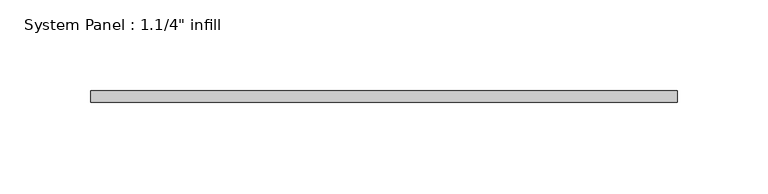
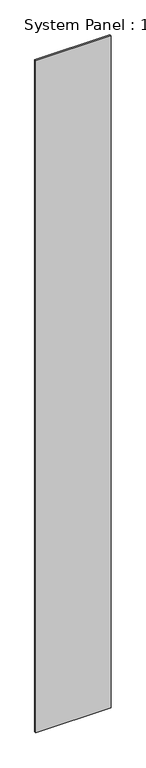
"""IFC4 building model written with IfcOpenShell, lengths in millimetres: plate geometry."""

from ifc_helpers import new_model, si_unit, origin, origin_with_axes, place, context, project, spatial, polyline, outline, extrude, source, transform, mapped, element, save


def plate_3b026f21(model_context):
    return source(origin(), model_context, "Body", "SweptSolid", [
        extrude(outline(polyline([(161.925, -6.35), (-161.925, -6.35), (-161.925, 0.0), (161.925, 0.0), (161.925, -6.35)])), origin_with_axes(), (0.0, 0.0, 1.0), 3048.0),
    ])


if __name__ == "__main__":
    model = new_model("IFC4")
    model_context = context("Model", 3, world=origin())
    ifc_project = project(units=[si_unit("LENGTHUNIT", "METRE", prefix="MILLI")], contexts=[model_context])
    site = spatial("IfcSite", under=ifc_project)
    building = spatial("IfcBuilding", under=site)
    placement = place(None, origin())
    plate_shape = plate_3b026f21(model_context)
    element("IfcPlate", 1, ObjectType="System Panel : 1.1/4\" infill", at=placement, inside=building, context=model_context, shape_type="MappedRepresentation", body=[
        mapped(plate_shape, transform((0.0, 0.0, 0.0), x_axis=(1.0, 0.0, 0.0), y_axis=(0.0, 1.0, 0.0), z_axis=(0.0, 0.0, 1.0))),
    ])
    save(model, "model.ifc")
